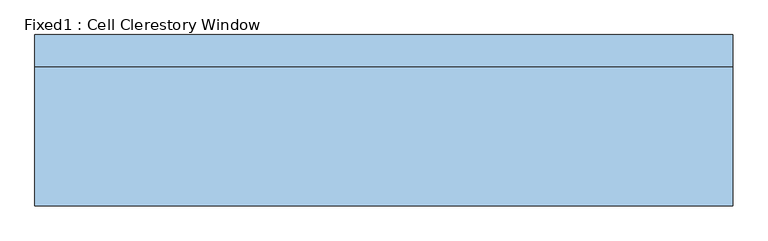
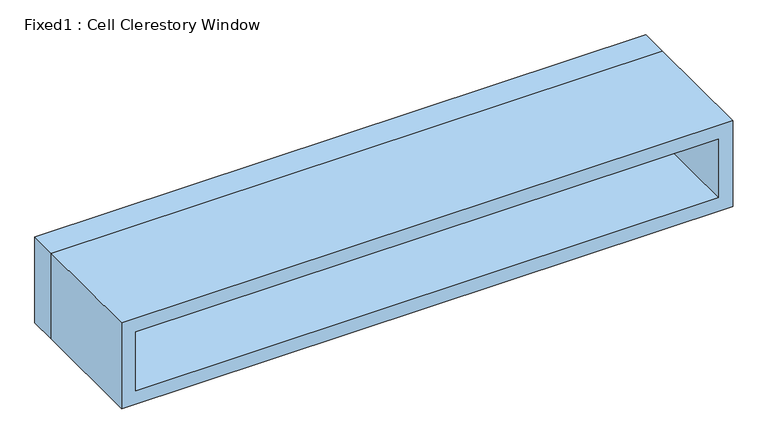
"""IFC4 building model written with IfcOpenShell, lengths in millimetres: window geometry, Fixed1 : Cell Clerestory Window."""

from ifc_helpers import new_model, si_unit, frame, origin, place, context, project, spatial, polyline, outline, extrude, source, transform, mapped, element, save


def fixed1_cell_clerestory_window_4e2105f2(model_context):
    return source(origin(), model_context, "Body", "SweptSolid", [
        extrude(outline(polyline([(584.2, 120.65), (-660.4, 120.65), (-660.4, 133.35), (584.2, 133.35), (584.2, 120.65)])), frame((0.0, 0.0, 2197.1), z_axis=(0.0, 0.0, 1.0), x_axis=(1.0, 0.0, 0.0)), (0.0, 0.0, 1.0), 76.2),
        extrude(outline(polyline([(2317.75, -704.85), (2152.65, -704.85), (2152.65, 628.65), (2317.75, 628.65), (2317.75, -704.85)]), holes=[polyline([(2273.3, -660.4), (2273.3, 584.2), (2197.1, 584.2), (2197.1, -660.4), (2273.3, -660.4)])]), frame((0.0, 104.775, 0.0), z_axis=(0.0, 1.0, 0.0), x_axis=(0.0, 0.0, 1.0)), (0.0, 0.0, 1.0), 44.45),
        extrude(outline(polyline([(2336.8, -723.9), (2133.6, -723.9), (2133.6, 647.7), (2336.8, 647.7), (2336.8, -723.9)]), holes=[polyline([(2305.05, -692.15), (2305.05, 615.95), (2165.35, 615.95), (2165.35, -692.15), (2305.05, -692.15)])]), frame((0.0, -168.275, 0.0), z_axis=(0.0, 1.0, 0.0), x_axis=(0.0, 0.0, 1.0)), (0.0, 0.0, 1.0), 273.05),
        extrude(outline(polyline([(2336.8, 647.7), (2336.8, -723.9), (2133.6, -723.9), (2133.6, 647.7), (2336.8, 647.7)]), holes=[polyline([(2317.75, 628.65), (2152.65, 628.65), (2152.65, -704.85), (2317.75, -704.85), (2317.75, 628.65)])]), frame((0.0, 104.775, 0.0), z_axis=(0.0, 1.0, 0.0), x_axis=(0.0, 0.0, 1.0)), (0.0, 0.0, 1.0), 63.5),
    ])


if __name__ == "__main__":
    model = new_model("IFC4")
    model_context = context("Model", 3, world=origin())
    ifc_project = project(units=[si_unit("LENGTHUNIT", "METRE", prefix="MILLI")], contexts=[model_context])
    site = spatial("IfcSite", under=ifc_project)
    building = spatial("IfcBuilding", under=site)
    placement = place(None, origin())
    fixed1_cell_clerestory_window_shape = fixed1_cell_clerestory_window_4e2105f2(model_context)
    element("IfcWindow", 1, ObjectType="Fixed1 : Cell Clerestory Window", at=placement, inside=building, context=model_context, shape_type="MappedRepresentation", body=[
        mapped(fixed1_cell_clerestory_window_shape, transform((0.0, 0.0, 0.0), x_axis=(1.0, 0.0, 0.0), y_axis=(0.0, 1.0, 0.0), z_axis=(0.0, 0.0, 1.0))),
    ])
    save(model, "model.ifc")
